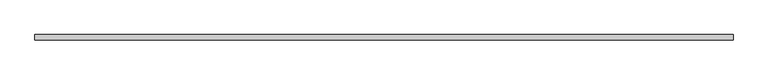
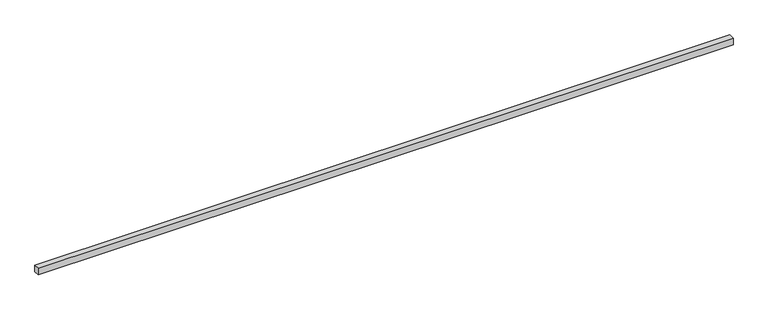
"""IFC4 building model written with IfcOpenShell, lengths in millimetres: proxy geometry."""

import ifcopenshell
import ifcopenshell.guid

model = None  # the IFC model being written
_history = None  # IfcOwnerHistory: only IFC2X3 demands one
_inside = {}  # id of a spatial element -> (the spatial element, [elements in it])
_under = {}  # id of a project, library or spatial element -> (it, [spatial elements below it])
_declared = {}  # id of a project -> (the project, [libraries it declares])
_typed = {}  # id of a type object -> (the type object, [elements of that type])
_made_of = {}  # id of a material, layer set ... -> (it, [elements and type objects made of it])


def new_model(schema):
    """Start an empty IFC model of exactly this schema.

    Asked for "IFC4X3", IfcOpenShell would pick the latest addendum, in which some entities
    have other attributes; the version numbers below select the first issue.
    IFC2X3 requires an IfcOwnerHistory on every rooted entity: one is made here for all.
    """
    global model, _history
    if schema == "IFC4X3":
        model = ifcopenshell.file(schema_version=(4, 3, 0, 0))
    else:
        model = ifcopenshell.file(schema=schema)
    _inside.clear()
    _under.clear()
    _declared.clear()
    _typed.clear()
    _made_of.clear()
    _history = None
    if model.schema == "IFC2X3":
        org = make("IfcOrganization", Name="unknown")
        user = make(
            "IfcPersonAndOrganization",
            ThePerson=make("IfcPerson", FamilyName="unknown"),
            TheOrganization=org,
        )
        app = make(
            "IfcApplication",
            ApplicationDeveloper=org,
            Version="unknown",
            ApplicationFullName="unknown",
            ApplicationIdentifier="unknown",
        )
        _history = make(
            "IfcOwnerHistory",
            OwningUser=user,
            OwningApplication=app,
            ChangeAction="ADDED",
            CreationDate=0,
        )
    return model


def make(cls, **values):
    """One entity of the class cls with the attributes given. An attribute that is None is left unset."""
    return model.create_entity(
        cls, **{name: value for name, value in values.items() if value is not None}
    )


def rooted(cls, **values):
    """An entity with a GlobalId (a new one), such as an element, a storey or a relation."""
    return make(cls, GlobalId=ifcopenshell.guid.new(), OwnerHistory=_history, **values)


def si_unit(unit_type, name, prefix=None):
    """IfcSIUnit, for example si_unit("LENGTHUNIT", "METRE", prefix="MILLI")."""
    return make("IfcSIUnit", UnitType=unit_type, Prefix=prefix, Name=name)


def assignment(units):
    """IfcUnitAssignment: the units of a project."""
    return None if units is None else make("IfcUnitAssignment", Units=units)


def point(xyz):
    """IfcCartesianPoint."""
    return None if xyz is None else make("IfcCartesianPoint", Coordinates=xyz)


def direction(xyz):
    """IfcDirection."""
    return None if xyz is None else make("IfcDirection", DirectionRatios=xyz)


def frame(location, z_axis=None, x_axis=None):
    """IfcAxis2Placement3D, a coordinate frame: its origin and axes. An axis left out is left unset."""
    return make(
        "IfcAxis2Placement3D",
        Location=point(location),
        Axis=direction(z_axis),
        RefDirection=direction(x_axis),
    )


def origin():
    """The frame at (0, 0, 0) with its axes left unset."""
    return frame((0.0, 0.0, 0.0))


def origin_with_axes():
    """The frame at (0, 0, 0) with the z axis (0, 0, 1) and the x axis (1, 0, 0) written out."""
    return frame((0.0, 0.0, 0.0), z_axis=(0.0, 0.0, 1.0), x_axis=(1.0, 0.0, 0.0))


def place(relative_to, where):
    """IfcLocalPlacement: puts the frame where relative to a parent placement (None: the world)."""
    return make(
        "IfcLocalPlacement", PlacementRelTo=relative_to, RelativePlacement=where
    )


def context(
    kind, dimensions, precision=None, world=None, true_north=None, identifier=None
):
    """IfcGeometricRepresentationContext, for example the 3D "Model" context."""
    return make(
        "IfcGeometricRepresentationContext",
        ContextIdentifier=identifier,
        ContextType=kind,
        CoordinateSpaceDimension=dimensions,
        Precision=precision,
        WorldCoordinateSystem=world,
        TrueNorth=true_north,
    )


def project(units=None, contexts=None):
    """IfcProject with its units and contexts."""
    return rooted(
        "IfcProject",
        Name="project",
        RepresentationContexts=contexts,
        UnitsInContext=assignment(units),
    )


def spatial(cls, under=None, at=None, **own):
    """A site, building, storey or space (cls), placed at a placement, below another one or the project."""
    s = rooted(cls, ObjectPlacement=at, **own)
    if under is not None:
        _under.setdefault(under.id(), (under, []))[1].append(s)
    return s


def polyline(points):
    """IfcPolyline through the points."""
    return make("IfcPolyline", Points=[point(p) for p in points])


def outline(outer, holes=None, kind="AREA"):
    """IfcArbitraryClosedProfileDef: a profile drawn as a closed curve; with holes, ...WithVoids."""
    if holes is None:
        return make("IfcArbitraryClosedProfileDef", ProfileType=kind, OuterCurve=outer)
    return make(
        "IfcArbitraryProfileDefWithVoids",
        ProfileType=kind,
        OuterCurve=outer,
        InnerCurves=holes,
    )


def extrude(swept, where, along, depth):
    """IfcExtrudedAreaSolid: the profile swept, set in the frame where, extruded along a direction by depth."""
    return make(
        "IfcExtrudedAreaSolid",
        SweptArea=swept,
        Position=where,
        ExtrudedDirection=direction(along),
        Depth=depth,
    )


def shape(context_of_items, identifier, shape_type, items):
    """IfcShapeRepresentation: the items that make up one representation, for example the "Body"."""
    return make(
        "IfcShapeRepresentation",
        ContextOfItems=context_of_items,
        RepresentationIdentifier=identifier,
        RepresentationType=shape_type,
        Items=items,
    )


def source(mapping_origin, context_of_items, identifier, shape_type, items):
    """IfcRepresentationMap: a shape defined once, which mapped items show again and again."""
    return make(
        "IfcRepresentationMap",
        MappingOrigin=mapping_origin,
        MappedRepresentation=shape(context_of_items, identifier, shape_type, items),
    )


def transform(
    local_origin,
    x_axis=None,
    y_axis=None,
    z_axis=None,
    scale=None,
    scale2=None,
    scale3=None,
    uniform=True,
):
    """IfcCartesianTransformationOperator3D, or its non-uniform kind. x_axis, y_axis, z_axis: its Axis1, 2, 3."""
    if uniform:
        return make(
            "IfcCartesianTransformationOperator3D",
            Axis1=direction(x_axis),
            Axis2=direction(y_axis),
            LocalOrigin=point(local_origin),
            Scale=scale,
            Axis3=direction(z_axis),
        )
    return make(
        "IfcCartesianTransformationOperator3DnonUniform",
        Axis1=direction(x_axis),
        Axis2=direction(y_axis),
        LocalOrigin=point(local_origin),
        Scale=scale,
        Axis3=direction(z_axis),
        Scale2=scale2,
        Scale3=scale3,
    )


def mapped(mapping_source, mapping_target):
    """IfcMappedItem: shows the shape of a source again, moved by a transform."""
    return make(
        "IfcMappedItem", MappingSource=mapping_source, MappingTarget=mapping_target
    )


def made_of(thing, what):
    """Note that an element or type object is made of a material, layer set ...; save() writes the relation."""
    if what is not None:
        _made_of.setdefault(what.id(), (what, []))[1].append(thing)
    return thing


def element(
    cls,
    number,
    at=None,
    inside=None,
    cuts=None,
    type_object=None,
    material=None,
    context=None,
    identifier="Body",
    shape_type=None,
    held_by="IfcProductDefinitionShape",
    body=None,
    shapes=None,
    **own,
):
    """One element of the class cls, such as IfcWall. Its Tag is "e" and its number.

    at: its placement. inside: the storey or other place that contains it. cuts: it is an
    opening in that element (IfcRelVoidsElement). A single representation is given by context,
    identifier, shape_type and body (its items); several are given by shapes. held_by: the class
    of the entity that holds the representations. save() writes the other relations.
    """
    e = rooted(cls, Tag="e%d" % number, ObjectPlacement=at, **own)
    if body is not None:
        shapes = [shape(context, identifier, shape_type, body)]
    if shapes is not None:
        e.Representation = make(held_by, Representations=shapes)
    if inside is not None:
        _inside.setdefault(inside.id(), (inside, []))[1].append(e)
    if cuts is not None:
        rooted(
            "IfcRelVoidsElement", RelatingBuildingElement=cuts, RelatedOpeningElement=e
        )
    if type_object is not None:
        _typed.setdefault(type_object.id(), (type_object, []))[1].append(e)
    return made_of(e, material)


def aggregate(whole, parts):
    """IfcRelAggregates: a whole, such as a stair, and the parts it consists of."""
    return rooted("IfcRelAggregates", RelatingObject=whole, RelatedObjects=parts)


def save(model, path):
    """Write the relations noted so far, then the file.

    IfcRelAggregates (storeys below a building ...), IfcRelContainedInSpatialStructure (elements
    in a storey), IfcRelDefinesByType, IfcRelAssociatesMaterial and IfcRelDeclares: one each for
    every whole, place, type object, material and project.
    """
    for whole, parts in _under.values():
        aggregate(whole, parts)
    for where, things in _inside.values():
        rooted(
            "IfcRelContainedInSpatialStructure",
            RelatedElements=things,
            RelatingStructure=where,
        )
    for kind, things in _typed.values():
        rooted("IfcRelDefinesByType", RelatedObjects=things, RelatingType=kind)
    for what, things in _made_of.values():
        rooted("IfcRelAssociatesMaterial", RelatedObjects=things, RelatingMaterial=what)
    for by, libraries in _declared.values():
        rooted("IfcRelDeclares", RelatingContext=by, RelatedDefinitions=libraries)
    model.write(path)


def generic_models_25dd1f00(model_context):
    return source(origin(), model_context, "Body", "SweptSolid", [
        extrude(outline(polyline([(10080.0, -40.0), (0.0, -40.0), (0.0, 40.0), (10080.0, 40.0), (10080.0, -40.0)])), origin_with_axes(), (0.0, 0.0, 1.0), 100.0),
    ])


if __name__ == "__main__":
    model = new_model("IFC4")
    model_context = context("Model", 3, world=origin())
    ifc_project = project(units=[si_unit("LENGTHUNIT", "METRE", prefix="MILLI")], contexts=[model_context])
    site = spatial("IfcSite", under=ifc_project)
    building = spatial("IfcBuilding", under=site)
    placement = place(None, origin())
    generic_models_shape = generic_models_25dd1f00(model_context)
    element("IfcBuildingElementProxy", 1, Name="Generic Models", at=placement, inside=building, context=model_context, shape_type="MappedRepresentation", body=[
        mapped(generic_models_shape, transform((0.0, 0.0, 0.0), x_axis=(1.0, 0.0, 0.0), y_axis=(0.0, 1.0, 0.0), z_axis=(0.0, 0.0, 1.0))),
    ])
    save(model, "model.ifc")
